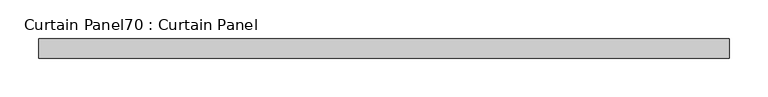
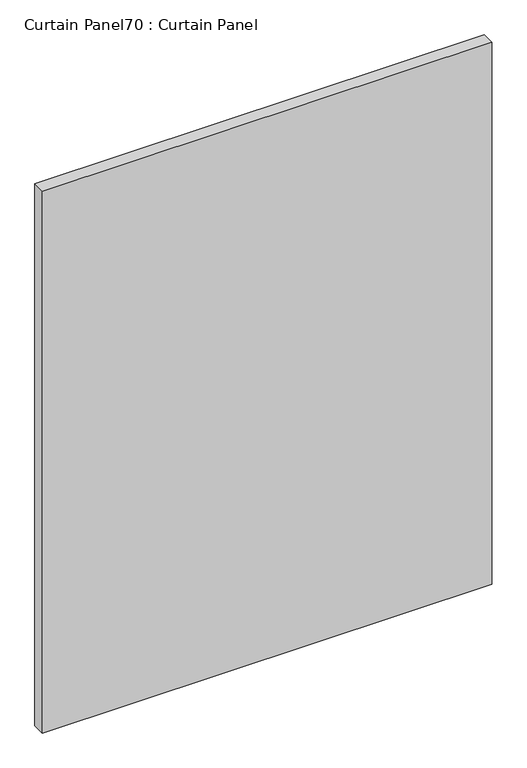
"""IFC4 building model written with IfcOpenShell, lengths in millimetres: plate geometry, Curtain Panel70 : Curtain Panel."""

import ifcopenshell
import ifcopenshell.guid

model = None  # the IFC model being written
_history = None  # IfcOwnerHistory: only IFC2X3 demands one
_inside = {}  # id of a spatial element -> (the spatial element, [elements in it])
_under = {}  # id of a project, library or spatial element -> (it, [spatial elements below it])
_declared = {}  # id of a project -> (the project, [libraries it declares])
_typed = {}  # id of a type object -> (the type object, [elements of that type])
_made_of = {}  # id of a material, layer set ... -> (it, [elements and type objects made of it])


def new_model(schema):
    """Start an empty IFC model of exactly this schema.

    Asked for "IFC4X3", IfcOpenShell would pick the latest addendum, in which some entities
    have other attributes; the version numbers below select the first issue.
    IFC2X3 requires an IfcOwnerHistory on every rooted entity: one is made here for all.
    """
    global model, _history
    if schema == "IFC4X3":
        model = ifcopenshell.file(schema_version=(4, 3, 0, 0))
    else:
        model = ifcopenshell.file(schema=schema)
    _inside.clear()
    _under.clear()
    _declared.clear()
    _typed.clear()
    _made_of.clear()
    _history = None
    if model.schema == "IFC2X3":
        org = make("IfcOrganization", Name="unknown")
        user = make(
            "IfcPersonAndOrganization",
            ThePerson=make("IfcPerson", FamilyName="unknown"),
            TheOrganization=org,
        )
        app = make(
            "IfcApplication",
            ApplicationDeveloper=org,
            Version="unknown",
            ApplicationFullName="unknown",
            ApplicationIdentifier="unknown",
        )
        _history = make(
            "IfcOwnerHistory",
            OwningUser=user,
            OwningApplication=app,
            ChangeAction="ADDED",
            CreationDate=0,
        )
    return model


def make(cls, **values):
    """One entity of the class cls with the attributes given. An attribute that is None is left unset."""
    return model.create_entity(
        cls, **{name: value for name, value in values.items() if value is not None}
    )


def rooted(cls, **values):
    """An entity with a GlobalId (a new one), such as an element, a storey or a relation."""
    return make(cls, GlobalId=ifcopenshell.guid.new(), OwnerHistory=_history, **values)


def si_unit(unit_type, name, prefix=None):
    """IfcSIUnit, for example si_unit("LENGTHUNIT", "METRE", prefix="MILLI")."""
    return make("IfcSIUnit", UnitType=unit_type, Prefix=prefix, Name=name)


def assignment(units):
    """IfcUnitAssignment: the units of a project."""
    return None if units is None else make("IfcUnitAssignment", Units=units)


def point(xyz):
    """IfcCartesianPoint."""
    return None if xyz is None else make("IfcCartesianPoint", Coordinates=xyz)


def direction(xyz):
    """IfcDirection."""
    return None if xyz is None else make("IfcDirection", DirectionRatios=xyz)


def frame(location, z_axis=None, x_axis=None):
    """IfcAxis2Placement3D, a coordinate frame: its origin and axes. An axis left out is left unset."""
    return make(
        "IfcAxis2Placement3D",
        Location=point(location),
        Axis=direction(z_axis),
        RefDirection=direction(x_axis),
    )


def origin():
    """The frame at (0, 0, 0) with its axes left unset."""
    return frame((0.0, 0.0, 0.0))


def place(relative_to, where):
    """IfcLocalPlacement: puts the frame where relative to a parent placement (None: the world)."""
    return make(
        "IfcLocalPlacement", PlacementRelTo=relative_to, RelativePlacement=where
    )


def context(
    kind, dimensions, precision=None, world=None, true_north=None, identifier=None
):
    """IfcGeometricRepresentationContext, for example the 3D "Model" context."""
    return make(
        "IfcGeometricRepresentationContext",
        ContextIdentifier=identifier,
        ContextType=kind,
        CoordinateSpaceDimension=dimensions,
        Precision=precision,
        WorldCoordinateSystem=world,
        TrueNorth=true_north,
    )


def project(units=None, contexts=None):
    """IfcProject with its units and contexts."""
    return rooted(
        "IfcProject",
        Name="project",
        RepresentationContexts=contexts,
        UnitsInContext=assignment(units),
    )


def spatial(cls, under=None, at=None, **own):
    """A site, building, storey or space (cls), placed at a placement, below another one or the project."""
    s = rooted(cls, ObjectPlacement=at, **own)
    if under is not None:
        _under.setdefault(under.id(), (under, []))[1].append(s)
    return s


def polyline(points):
    """IfcPolyline through the points."""
    return make("IfcPolyline", Points=[point(p) for p in points])


def outline(outer, holes=None, kind="AREA"):
    """IfcArbitraryClosedProfileDef: a profile drawn as a closed curve; with holes, ...WithVoids."""
    if holes is None:
        return make("IfcArbitraryClosedProfileDef", ProfileType=kind, OuterCurve=outer)
    return make(
        "IfcArbitraryProfileDefWithVoids",
        ProfileType=kind,
        OuterCurve=outer,
        InnerCurves=holes,
    )


def extrude(swept, where, along, depth):
    """IfcExtrudedAreaSolid: the profile swept, set in the frame where, extruded along a direction by depth."""
    return make(
        "IfcExtrudedAreaSolid",
        SweptArea=swept,
        Position=where,
        ExtrudedDirection=direction(along),
        Depth=depth,
    )


def shape(context_of_items, identifier, shape_type, items):
    """IfcShapeRepresentation: the items that make up one representation, for example the "Body"."""
    return make(
        "IfcShapeRepresentation",
        ContextOfItems=context_of_items,
        RepresentationIdentifier=identifier,
        RepresentationType=shape_type,
        Items=items,
    )


def source(mapping_origin, context_of_items, identifier, shape_type, items):
    """IfcRepresentationMap: a shape defined once, which mapped items show again and again."""
    return make(
        "IfcRepresentationMap",
        MappingOrigin=mapping_origin,
        MappedRepresentation=shape(context_of_items, identifier, shape_type, items),
    )


def transform(
    local_origin,
    x_axis=None,
    y_axis=None,
    z_axis=None,
    scale=None,
    scale2=None,
    scale3=None,
    uniform=True,
):
    """IfcCartesianTransformationOperator3D, or its non-uniform kind. x_axis, y_axis, z_axis: its Axis1, 2, 3."""
    if uniform:
        return make(
            "IfcCartesianTransformationOperator3D",
            Axis1=direction(x_axis),
            Axis2=direction(y_axis),
            LocalOrigin=point(local_origin),
            Scale=scale,
            Axis3=direction(z_axis),
        )
    return make(
        "IfcCartesianTransformationOperator3DnonUniform",
        Axis1=direction(x_axis),
        Axis2=direction(y_axis),
        LocalOrigin=point(local_origin),
        Scale=scale,
        Axis3=direction(z_axis),
        Scale2=scale2,
        Scale3=scale3,
    )


def mapped(mapping_source, mapping_target):
    """IfcMappedItem: shows the shape of a source again, moved by a transform."""
    return make(
        "IfcMappedItem", MappingSource=mapping_source, MappingTarget=mapping_target
    )


def made_of(thing, what):
    """Note that an element or type object is made of a material, layer set ...; save() writes the relation."""
    if what is not None:
        _made_of.setdefault(what.id(), (what, []))[1].append(thing)
    return thing


def element(
    cls,
    number,
    at=None,
    inside=None,
    cuts=None,
    type_object=None,
    material=None,
    context=None,
    identifier="Body",
    shape_type=None,
    held_by="IfcProductDefinitionShape",
    body=None,
    shapes=None,
    **own,
):
    """One element of the class cls, such as IfcWall. Its Tag is "e" and its number.

    at: its placement. inside: the storey or other place that contains it. cuts: it is an
    opening in that element (IfcRelVoidsElement). A single representation is given by context,
    identifier, shape_type and body (its items); several are given by shapes. held_by: the class
    of the entity that holds the representations. save() writes the other relations.
    """
    e = rooted(cls, Tag="e%d" % number, ObjectPlacement=at, **own)
    if body is not None:
        shapes = [shape(context, identifier, shape_type, body)]
    if shapes is not None:
        e.Representation = make(held_by, Representations=shapes)
    if inside is not None:
        _inside.setdefault(inside.id(), (inside, []))[1].append(e)
    if cuts is not None:
        rooted(
            "IfcRelVoidsElement", RelatingBuildingElement=cuts, RelatedOpeningElement=e
        )
    if type_object is not None:
        _typed.setdefault(type_object.id(), (type_object, []))[1].append(e)
    return made_of(e, material)


def aggregate(whole, parts):
    """IfcRelAggregates: a whole, such as a stair, and the parts it consists of."""
    return rooted("IfcRelAggregates", RelatingObject=whole, RelatedObjects=parts)


def save(model, path):
    """Write the relations noted so far, then the file.

    IfcRelAggregates (storeys below a building ...), IfcRelContainedInSpatialStructure (elements
    in a storey), IfcRelDefinesByType, IfcRelAssociatesMaterial and IfcRelDeclares: one each for
    every whole, place, type object, material and project.
    """
    for whole, parts in _under.values():
        aggregate(whole, parts)
    for where, things in _inside.values():
        rooted(
            "IfcRelContainedInSpatialStructure",
            RelatedElements=things,
            RelatingStructure=where,
        )
    for kind, things in _typed.values():
        rooted("IfcRelDefinesByType", RelatedObjects=things, RelatingType=kind)
    for what, things in _made_of.values():
        rooted("IfcRelAssociatesMaterial", RelatedObjects=things, RelatingMaterial=what)
    for by, libraries in _declared.values():
        rooted("IfcRelDeclares", RelatingContext=by, RelatedDefinitions=libraries)
    model.write(path)


def curtain_panel70_curtain_panel_5197f1c7(model_context):
    return source(origin(), model_context, "Body", "SweptSolid", [
        extrude(outline(polyline([(-35316.6159538, -1283.4463534), (-36211.9659275, -1283.4463534), (-36211.9659275, -1258.0463534), (-35316.6159538, -1258.0463534), (-35316.6159538, -1283.4463534)])), frame((0.0, 0.0, 2447.925), z_axis=(0.0, 0.0, 1.0), x_axis=(1.0, 0.0, 0.0)), (0.0, 0.0, 1.0), 1141.8462759),
    ])


if __name__ == "__main__":
    model = new_model("IFC4")
    model_context = context("Model", 3, world=origin())
    ifc_project = project(units=[si_unit("LENGTHUNIT", "METRE", prefix="MILLI")], contexts=[model_context])
    site = spatial("IfcSite", under=ifc_project)
    building = spatial("IfcBuilding", under=site)
    placement = place(None, origin())
    curtain_panel70_curtain_panel_shape = curtain_panel70_curtain_panel_5197f1c7(model_context)
    element("IfcPlate", 1, ObjectType="Curtain Panel70 : Curtain Panel", at=placement, inside=building, context=model_context, shape_type="MappedRepresentation", body=[
        mapped(curtain_panel70_curtain_panel_shape, transform((0.0, 0.0, 0.0), x_axis=(1.0, 0.0, 0.0), y_axis=(0.0, 1.0, 0.0), z_axis=(0.0, 0.0, 1.0))),
    ])
    save(model, "model.ifc")
